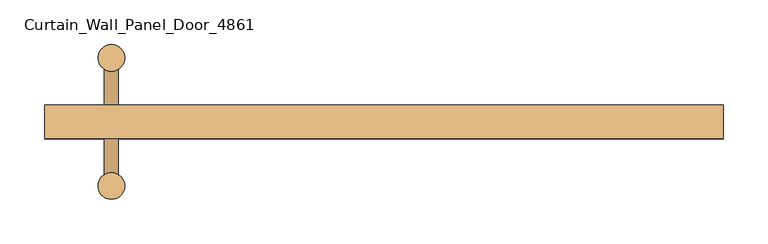
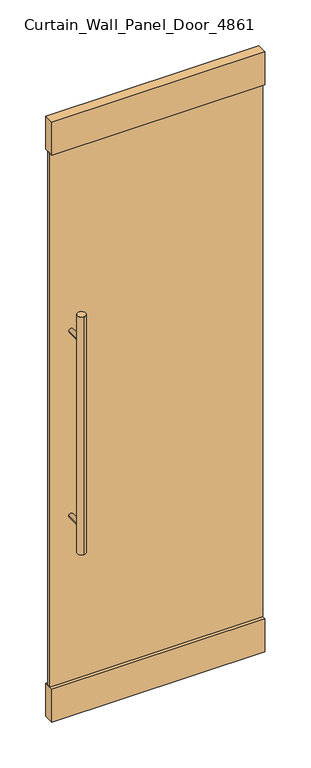
"""IFC4 building model written with IfcOpenShell, lengths in millimetres: door geometry, Curtain_Wall_Panel_Door_4861."""

from ifc_helpers import new_model, si_unit, point, frame, frame_2d, origin, origin_with_axes, place, context, project, spatial, polyline, circle_curve, trimmed, segment, composite_curve, outline, extrude, source, transform, mapped, element, save


def curtain_wall_panel_door_4861_1ad956bb(model_context):
    return source(origin(), model_context, "Body", "SweptSolid", [
        extrude(outline(polyline([(381.0, 50.0), (381.0, 38.0), (-381.0, 38.0), (-381.0, 50.0), (381.0, 50.0)])), frame((0.0, 0.0, 125.0), z_axis=(0.0, 0.0, 1.0), x_axis=(1.0, 0.0, 0.0)), (0.0, 0.0, 1.0), 2021.6164637),
        extrude(outline(composite_curve([segment(trimmed(circle_curve(frame_2d((-306.0, -28.0)), 15.0), [point((-306.0, -43.0))], [point((-306.0, -13.0))], False, "CARTESIAN"), True, "CONTINUOUS"), segment(trimmed(circle_curve(frame_2d((-306.0, -28.0)), 15.0), [point((-306.0, -13.0))], [point((-306.0, -43.0))], False, "CARTESIAN"), True, "CONTINUOUS")], self_intersect=False)), frame((0.0, 0.0, 650.0), z_axis=(0.0, 0.0, 1.0), x_axis=(1.0, 0.0, 0.0)), (0.0, 0.0, 1.0), 900.0),
        extrude(outline(composite_curve([segment(trimmed(circle_curve(frame_2d((-306.0, 116.0)), 15.0), [point((-306.0, 101.0))], [point((-306.0, 131.0))], False, "CARTESIAN"), True, "CONTINUOUS"), segment(trimmed(circle_curve(frame_2d((-306.0, 116.0)), 15.0), [point((-306.0, 131.0))], [point((-306.0, 101.0))], False, "CARTESIAN"), True, "CONTINUOUS")], self_intersect=False)), frame((0.0, 0.0, 650.0), z_axis=(0.0, 0.0, 1.0), x_axis=(1.0, 0.0, 0.0)), (0.0, 0.0, 1.0), 900.0),
        extrude(outline(polyline([(381.0, 25.0), (-381.0, 25.0), (-381.0, 63.0), (381.0, 63.0), (381.0, 25.0)])), origin_with_axes(), (0.0, 0.0, 1.0), 125.0),
        extrude(outline(polyline([(381.0, 25.0), (-381.0, 25.0), (-381.0, 63.0), (381.0, 63.0), (381.0, 25.0)])), frame((0.0, 0.0, 2146.6164637), z_axis=(0.0, 0.0, 1.0), x_axis=(1.0, 0.0, 0.0)), (0.0, 0.0, 1.0), 125.0),
        extrude(outline(composite_curve([segment(trimmed(circle_curve(frame_2d((1450.0, -306.0)), 8.0), [point((1450.0, -298.0))], [point((1450.0, -314.0))], False, "CARTESIAN"), True, "CONTINUOUS"), segment(trimmed(circle_curve(frame_2d((1450.0, -306.0)), 8.0), [point((1450.0, -314.0))], [point((1450.0, -298.0))], False, "CARTESIAN"), True, "CONTINUOUS")], self_intersect=False)), frame((0.0, -28.0, 0.0), z_axis=(0.0, 1.0, 0.0), x_axis=(0.0, 0.0, 1.0)), (0.0, 0.0, 1.0), 66.0),
        extrude(outline(composite_curve([segment(trimmed(circle_curve(frame_2d((1450.0, -306.0)), 8.0), [point((1450.0, -298.0))], [point((1450.0, -314.0))], False, "CARTESIAN"), True, "CONTINUOUS"), segment(trimmed(circle_curve(frame_2d((1450.0, -306.0)), 8.0), [point((1450.0, -314.0))], [point((1450.0, -298.0))], False, "CARTESIAN"), True, "CONTINUOUS")], self_intersect=False)), frame((0.0, 50.0, 0.0), z_axis=(0.0, 1.0, 0.0), x_axis=(0.0, 0.0, 1.0)), (0.0, 0.0, 1.0), 66.0),
        extrude(outline(composite_curve([segment(trimmed(circle_curve(frame_2d((750.0, -306.0)), 8.0), [point((750.0, -298.0))], [point((750.0, -314.0))], False, "CARTESIAN"), True, "CONTINUOUS"), segment(trimmed(circle_curve(frame_2d((750.0, -306.0)), 8.0), [point((750.0, -314.0))], [point((750.0, -298.0))], False, "CARTESIAN"), True, "CONTINUOUS")], self_intersect=False)), frame((0.0, -28.0, 0.0), z_axis=(0.0, 1.0, 0.0), x_axis=(0.0, 0.0, 1.0)), (0.0, 0.0, 1.0), 66.0),
        extrude(outline(composite_curve([segment(trimmed(circle_curve(frame_2d((750.0, -306.0)), 8.0), [point((750.0, -298.0))], [point((750.0, -314.0))], False, "CARTESIAN"), True, "CONTINUOUS"), segment(trimmed(circle_curve(frame_2d((750.0, -306.0)), 8.0), [point((750.0, -314.0))], [point((750.0, -298.0))], False, "CARTESIAN"), True, "CONTINUOUS")], self_intersect=False)), frame((0.0, 50.0, 0.0), z_axis=(0.0, 1.0, 0.0), x_axis=(0.0, 0.0, 1.0)), (0.0, 0.0, 1.0), 66.0),
    ])


if __name__ == "__main__":
    model = new_model("IFC4")
    model_context = context("Model", 3, world=origin())
    ifc_project = project(units=[si_unit("LENGTHUNIT", "METRE", prefix="MILLI")], contexts=[model_context])
    site = spatial("IfcSite", under=ifc_project)
    building = spatial("IfcBuilding", under=site)
    placement = place(None, origin())
    curtain_wall_panel_door_4861_shape = curtain_wall_panel_door_4861_1ad956bb(model_context)
    element("IfcDoor", 1, ObjectType="Curtain_Wall_Panel_Door_4861", at=placement, inside=building, context=model_context, shape_type="MappedRepresentation", body=[
        mapped(curtain_wall_panel_door_4861_shape, transform((0.0, 0.0, 0.0), x_axis=(1.0, 0.0, 0.0), y_axis=(0.0, 1.0, 0.0), z_axis=(0.0, 0.0, 1.0))),
    ])
    save(model, "model.ifc")
